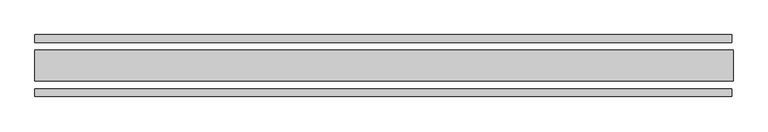
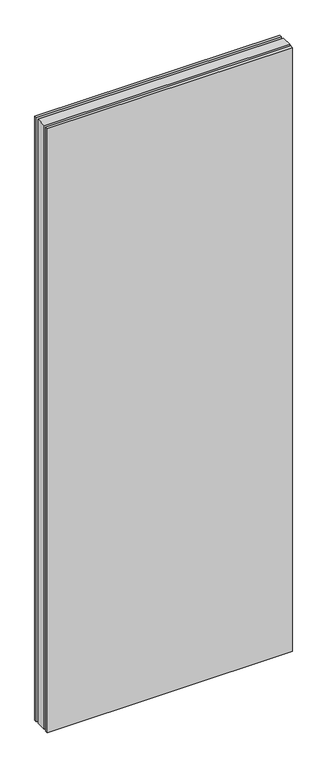
"""IFC4 building model written with IfcOpenShell, lengths in millimetres: plate geometry."""

from ifc_helpers import new_model, si_unit, origin, origin_with_axes, place, context, project, spatial, polyline, outline, extrude, source, transform, mapped, element, save


def plate_450def0e(model_context):
    return source(origin(), model_context, "Body", "SweptSolid", [
        extrude(outline(polyline([(564.9999998, 25.0), (564.9999998, -25.0), (-562.9999998, -25.0), (-562.9999998, 25.0), (564.9999998, 25.0)])), origin_with_axes(), (0.0, 0.0, 1.0), 2930.0),
        extrude(outline(polyline([(562.9999998, 50.0), (562.9999998, 37.5), (-562.9999998, 37.5), (-562.9999998, 50.0), (562.9999998, 50.0)])), origin_with_axes(), (0.0, 0.0, 1.0), 2930.0),
        extrude(outline(polyline([(-562.9999998, -37.5), (562.9999998, -37.5), (562.9999998, -50.0), (-562.9999998, -50.0), (-562.9999998, -37.5)])), origin_with_axes(), (0.0, 0.0, 1.0), 2930.0),
    ])


if __name__ == "__main__":
    model = new_model("IFC4")
    model_context = context("Model", 3, world=origin())
    ifc_project = project(units=[si_unit("LENGTHUNIT", "METRE", prefix="MILLI")], contexts=[model_context])
    site = spatial("IfcSite", under=ifc_project)
    building = spatial("IfcBuilding", under=site)
    placement = place(None, origin())
    plate_shape = plate_450def0e(model_context)
    element("IfcPlate", 1, at=placement, inside=building, context=model_context, shape_type="MappedRepresentation", body=[
        mapped(plate_shape, transform((0.0, 0.0, 0.0), x_axis=(1.0, 0.0, 0.0), y_axis=(0.0, 1.0, 0.0), z_axis=(0.0, 0.0, 1.0))),
    ])
    save(model, "model.ifc")
